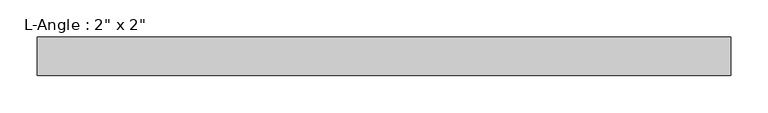
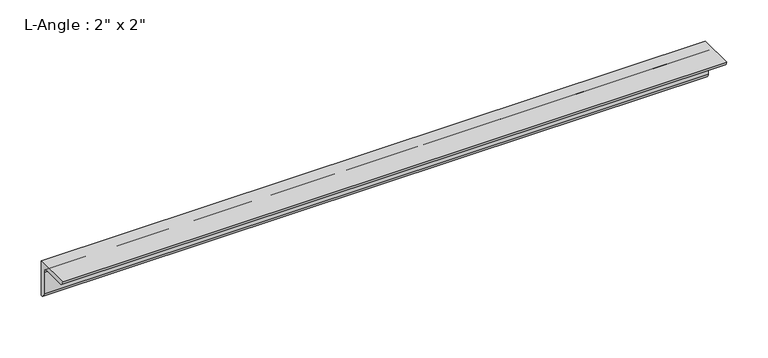
"""IFC4 building model written with IfcOpenShell, lengths in millimetres: beam geometry."""

import ifcopenshell
import ifcopenshell.guid

model = None  # the IFC model being written
_history = None  # IfcOwnerHistory: only IFC2X3 demands one
_inside = {}  # id of a spatial element -> (the spatial element, [elements in it])
_under = {}  # id of a project, library or spatial element -> (it, [spatial elements below it])
_declared = {}  # id of a project -> (the project, [libraries it declares])
_typed = {}  # id of a type object -> (the type object, [elements of that type])
_made_of = {}  # id of a material, layer set ... -> (it, [elements and type objects made of it])


def new_model(schema):
    """Start an empty IFC model of exactly this schema.

    Asked for "IFC4X3", IfcOpenShell would pick the latest addendum, in which some entities
    have other attributes; the version numbers below select the first issue.
    IFC2X3 requires an IfcOwnerHistory on every rooted entity: one is made here for all.
    """
    global model, _history
    if schema == "IFC4X3":
        model = ifcopenshell.file(schema_version=(4, 3, 0, 0))
    else:
        model = ifcopenshell.file(schema=schema)
    _inside.clear()
    _under.clear()
    _declared.clear()
    _typed.clear()
    _made_of.clear()
    _history = None
    if model.schema == "IFC2X3":
        org = make("IfcOrganization", Name="unknown")
        user = make(
            "IfcPersonAndOrganization",
            ThePerson=make("IfcPerson", FamilyName="unknown"),
            TheOrganization=org,
        )
        app = make(
            "IfcApplication",
            ApplicationDeveloper=org,
            Version="unknown",
            ApplicationFullName="unknown",
            ApplicationIdentifier="unknown",
        )
        _history = make(
            "IfcOwnerHistory",
            OwningUser=user,
            OwningApplication=app,
            ChangeAction="ADDED",
            CreationDate=0,
        )
    return model


def make(cls, **values):
    """One entity of the class cls with the attributes given. An attribute that is None is left unset."""
    return model.create_entity(
        cls, **{name: value for name, value in values.items() if value is not None}
    )


def rooted(cls, **values):
    """An entity with a GlobalId (a new one), such as an element, a storey or a relation."""
    return make(cls, GlobalId=ifcopenshell.guid.new(), OwnerHistory=_history, **values)


def si_unit(unit_type, name, prefix=None):
    """IfcSIUnit, for example si_unit("LENGTHUNIT", "METRE", prefix="MILLI")."""
    return make("IfcSIUnit", UnitType=unit_type, Prefix=prefix, Name=name)


def assignment(units):
    """IfcUnitAssignment: the units of a project."""
    return None if units is None else make("IfcUnitAssignment", Units=units)


def point(xyz):
    """IfcCartesianPoint."""
    return None if xyz is None else make("IfcCartesianPoint", Coordinates=xyz)


def direction(xyz):
    """IfcDirection."""
    return None if xyz is None else make("IfcDirection", DirectionRatios=xyz)


def frame(location, z_axis=None, x_axis=None):
    """IfcAxis2Placement3D, a coordinate frame: its origin and axes. An axis left out is left unset."""
    return make(
        "IfcAxis2Placement3D",
        Location=point(location),
        Axis=direction(z_axis),
        RefDirection=direction(x_axis),
    )


def frame_2d(location, x_axis=None):
    """IfcAxis2Placement2D, a coordinate frame in the plane: its origin and x axis."""
    return make(
        "IfcAxis2Placement2D", Location=point(location), RefDirection=direction(x_axis)
    )


def origin():
    """The frame at (0, 0, 0) with its axes left unset."""
    return frame((0.0, 0.0, 0.0))


def place(relative_to, where):
    """IfcLocalPlacement: puts the frame where relative to a parent placement (None: the world)."""
    return make(
        "IfcLocalPlacement", PlacementRelTo=relative_to, RelativePlacement=where
    )


def context(
    kind, dimensions, precision=None, world=None, true_north=None, identifier=None
):
    """IfcGeometricRepresentationContext, for example the 3D "Model" context."""
    return make(
        "IfcGeometricRepresentationContext",
        ContextIdentifier=identifier,
        ContextType=kind,
        CoordinateSpaceDimension=dimensions,
        Precision=precision,
        WorldCoordinateSystem=world,
        TrueNorth=true_north,
    )


def project(units=None, contexts=None):
    """IfcProject with its units and contexts."""
    return rooted(
        "IfcProject",
        Name="project",
        RepresentationContexts=contexts,
        UnitsInContext=assignment(units),
    )


def spatial(cls, under=None, at=None, **own):
    """A site, building, storey or space (cls), placed at a placement, below another one or the project."""
    s = rooted(cls, ObjectPlacement=at, **own)
    if under is not None:
        _under.setdefault(under.id(), (under, []))[1].append(s)
    return s


def polyline(points):
    """IfcPolyline through the points."""
    return make("IfcPolyline", Points=[point(p) for p in points])


def circle_curve(where, radius):
    """IfcCircle in the frame where."""
    return make("IfcCircle", Position=where, Radius=radius)


def trimmed(basis, trim1, trim2, sense, master):
    """IfcTrimmedCurve: the piece of a basis curve between two trims."""
    return make(
        "IfcTrimmedCurve",
        BasisCurve=basis,
        Trim1=trim1,
        Trim2=trim2,
        SenseAgreement=sense,
        MasterRepresentation=master,
    )


def segment(curve, same_sense, transition):
    """IfcCompositeCurveSegment."""
    return make(
        "IfcCompositeCurveSegment",
        Transition=transition,
        SameSense=same_sense,
        ParentCurve=curve,
    )


def composite_curve(segments, self_intersect=None):
    """IfcCompositeCurve: segments joined end to end."""
    return make("IfcCompositeCurve", Segments=segments, SelfIntersect=self_intersect)


def outline(outer, holes=None, kind="AREA"):
    """IfcArbitraryClosedProfileDef: a profile drawn as a closed curve; with holes, ...WithVoids."""
    if holes is None:
        return make("IfcArbitraryClosedProfileDef", ProfileType=kind, OuterCurve=outer)
    return make(
        "IfcArbitraryProfileDefWithVoids",
        ProfileType=kind,
        OuterCurve=outer,
        InnerCurves=holes,
    )


def extrude(swept, where, along, depth):
    """IfcExtrudedAreaSolid: the profile swept, set in the frame where, extruded along a direction by depth."""
    return make(
        "IfcExtrudedAreaSolid",
        SweptArea=swept,
        Position=where,
        ExtrudedDirection=direction(along),
        Depth=depth,
    )


def shape(context_of_items, identifier, shape_type, items):
    """IfcShapeRepresentation: the items that make up one representation, for example the "Body"."""
    return make(
        "IfcShapeRepresentation",
        ContextOfItems=context_of_items,
        RepresentationIdentifier=identifier,
        RepresentationType=shape_type,
        Items=items,
    )


def source(mapping_origin, context_of_items, identifier, shape_type, items):
    """IfcRepresentationMap: a shape defined once, which mapped items show again and again."""
    return make(
        "IfcRepresentationMap",
        MappingOrigin=mapping_origin,
        MappedRepresentation=shape(context_of_items, identifier, shape_type, items),
    )


def transform(
    local_origin,
    x_axis=None,
    y_axis=None,
    z_axis=None,
    scale=None,
    scale2=None,
    scale3=None,
    uniform=True,
):
    """IfcCartesianTransformationOperator3D, or its non-uniform kind. x_axis, y_axis, z_axis: its Axis1, 2, 3."""
    if uniform:
        return make(
            "IfcCartesianTransformationOperator3D",
            Axis1=direction(x_axis),
            Axis2=direction(y_axis),
            LocalOrigin=point(local_origin),
            Scale=scale,
            Axis3=direction(z_axis),
        )
    return make(
        "IfcCartesianTransformationOperator3DnonUniform",
        Axis1=direction(x_axis),
        Axis2=direction(y_axis),
        LocalOrigin=point(local_origin),
        Scale=scale,
        Axis3=direction(z_axis),
        Scale2=scale2,
        Scale3=scale3,
    )


def mapped(mapping_source, mapping_target):
    """IfcMappedItem: shows the shape of a source again, moved by a transform."""
    return make(
        "IfcMappedItem", MappingSource=mapping_source, MappingTarget=mapping_target
    )


def made_of(thing, what):
    """Note that an element or type object is made of a material, layer set ...; save() writes the relation."""
    if what is not None:
        _made_of.setdefault(what.id(), (what, []))[1].append(thing)
    return thing


def element(
    cls,
    number,
    at=None,
    inside=None,
    cuts=None,
    type_object=None,
    material=None,
    context=None,
    identifier="Body",
    shape_type=None,
    held_by="IfcProductDefinitionShape",
    body=None,
    shapes=None,
    **own,
):
    """One element of the class cls, such as IfcWall. Its Tag is "e" and its number.

    at: its placement. inside: the storey or other place that contains it. cuts: it is an
    opening in that element (IfcRelVoidsElement). A single representation is given by context,
    identifier, shape_type and body (its items); several are given by shapes. held_by: the class
    of the entity that holds the representations. save() writes the other relations.
    """
    e = rooted(cls, Tag="e%d" % number, ObjectPlacement=at, **own)
    if body is not None:
        shapes = [shape(context, identifier, shape_type, body)]
    if shapes is not None:
        e.Representation = make(held_by, Representations=shapes)
    if inside is not None:
        _inside.setdefault(inside.id(), (inside, []))[1].append(e)
    if cuts is not None:
        rooted(
            "IfcRelVoidsElement", RelatingBuildingElement=cuts, RelatedOpeningElement=e
        )
    if type_object is not None:
        _typed.setdefault(type_object.id(), (type_object, []))[1].append(e)
    return made_of(e, material)


def aggregate(whole, parts):
    """IfcRelAggregates: a whole, such as a stair, and the parts it consists of."""
    return rooted("IfcRelAggregates", RelatingObject=whole, RelatedObjects=parts)


def save(model, path):
    """Write the relations noted so far, then the file.

    IfcRelAggregates (storeys below a building ...), IfcRelContainedInSpatialStructure (elements
    in a storey), IfcRelDefinesByType, IfcRelAssociatesMaterial and IfcRelDeclares: one each for
    every whole, place, type object, material and project.
    """
    for whole, parts in _under.values():
        aggregate(whole, parts)
    for where, things in _inside.values():
        rooted(
            "IfcRelContainedInSpatialStructure",
            RelatedElements=things,
            RelatingStructure=where,
        )
    for kind, things in _typed.values():
        rooted("IfcRelDefinesByType", RelatedObjects=things, RelatingType=kind)
    for what, things in _made_of.values():
        rooted("IfcRelAssociatesMaterial", RelatedObjects=things, RelatingMaterial=what)
    for by, libraries in _declared.values():
        rooted("IfcRelDeclares", RelatingContext=by, RelatedDefinitions=libraries)
    model.write(path)


def beam_989c3ad9(model_context):
    return source(origin(), model_context, "Body", "SweptSolid", [
        extrude(outline(composite_curve([segment(polyline([(0.0, 0.0), (0.0, -50.8)]), True, "CONTINUOUS"), segment(trimmed(circle_curve(frame_2d((0.0, -44.45)), 6.35), [point((0.0, -50.8))], [point((-6.35, -44.45))], False, "CARTESIAN"), True, "CONTINUOUS"), segment(polyline([(-6.35, -44.45), (-6.35, -12.7)]), True, "CONTINUOUS"), segment(trimmed(circle_curve(frame_2d((-12.7, -12.7)), 6.35), [point((-6.35, -12.7))], [point((-12.7, -6.35))], True, "CARTESIAN"), True, "CONTINUOUS"), segment(polyline([(-12.7, -6.35), (-44.45, -6.35)]), True, "CONTINUOUS"), segment(trimmed(circle_curve(frame_2d((-44.45, 0.0)), 6.35), [point((-44.45, -6.35))], [point((-50.8, 0.0))], False, "CARTESIAN"), True, "CONTINUOUS"), segment(polyline([(-50.8, 0.0), (0.0, 0.0)]), True, "CONTINUOUS")], self_intersect=False)), frame((-462.4009897, 0.0, 0.0), z_axis=(1.0, 0.0, 0.0), x_axis=(0.0, 1.0, 0.0)), (0.0, 0.0, 1.0), 924.8019793),
    ])


if __name__ == "__main__":
    model = new_model("IFC4")
    model_context = context("Model", 3, world=origin())
    ifc_project = project(units=[si_unit("LENGTHUNIT", "METRE", prefix="MILLI")], contexts=[model_context])
    site = spatial("IfcSite", under=ifc_project)
    building = spatial("IfcBuilding", under=site)
    placement = place(None, origin())
    beam_shape = beam_989c3ad9(model_context)
    element("IfcBeam", 1, ObjectType="L-Angle : 2\" x 2\"", at=placement, inside=building, context=model_context, shape_type="MappedRepresentation", body=[
        mapped(beam_shape, transform((0.0, 0.0, 0.0), x_axis=(1.0, 0.0, 0.0), y_axis=(0.0, 1.0, 0.0), z_axis=(0.0, 0.0, 1.0))),
    ])
    save(model, "model.ifc")
